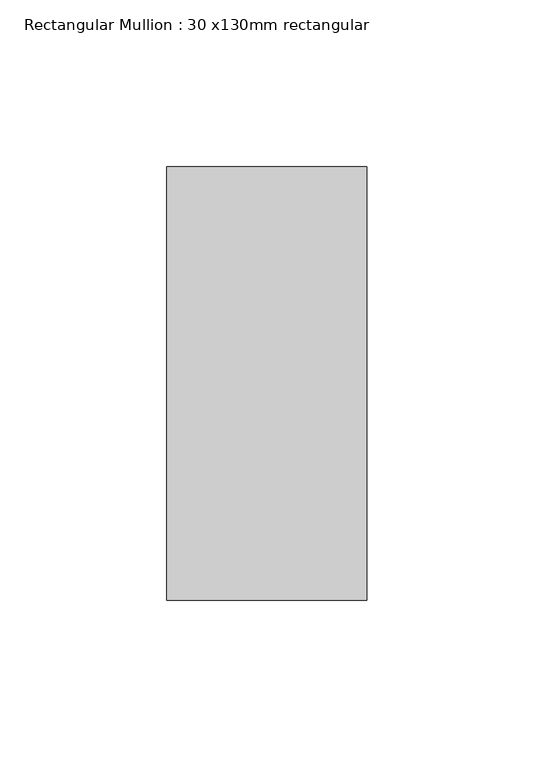
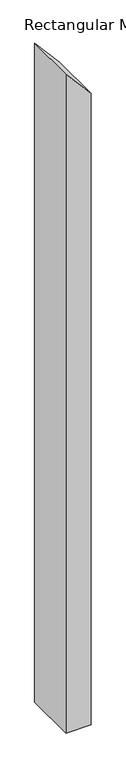
"""IFC4 building model written with IfcOpenShell, lengths in millimetres: member geometry, Rectangular Mullion : 30 x130mm rectangular."""

from ifc_helpers import new_model, si_unit, frame, origin, place, context, project, spatial, polyline, outline, extrude, source, transform, mapped, element, save


def rectangular_mullion_30_x130mm_rectangular_82edea63(model_context):
    return source(origin(), model_context, "Body", "SweptSolid", [
        extrude(outline(polyline([(-126.2925301, 30.0), (-57.0104977, -30.0), (-1730.7673296, -30.0), (-1730.7673296, 30.0), (-126.2925301, 30.0)])), frame((0.0, -65.0, 0.0), z_axis=(0.0, 1.0, 0.0), x_axis=(0.0, 0.0, 1.0)), (0.0, 0.0, 1.0), 130.0),
    ])


if __name__ == "__main__":
    model = new_model("IFC4")
    model_context = context("Model", 3, world=origin())
    ifc_project = project(units=[si_unit("LENGTHUNIT", "METRE", prefix="MILLI")], contexts=[model_context])
    site = spatial("IfcSite", under=ifc_project)
    building = spatial("IfcBuilding", under=site)
    placement = place(None, origin())
    rectangular_mullion_30_x130mm_rectangular_shape = rectangular_mullion_30_x130mm_rectangular_82edea63(model_context)
    element("IfcMember", 1, ObjectType="Rectangular Mullion : 30 x130mm rectangular", at=placement, inside=building, context=model_context, shape_type="MappedRepresentation", body=[
        mapped(rectangular_mullion_30_x130mm_rectangular_shape, transform((0.0, 0.0, 0.0), x_axis=(1.0, 0.0, 0.0), y_axis=(0.0, 1.0, 0.0), z_axis=(0.0, 0.0, 1.0))),
    ])
    save(model, "model.ifc")
